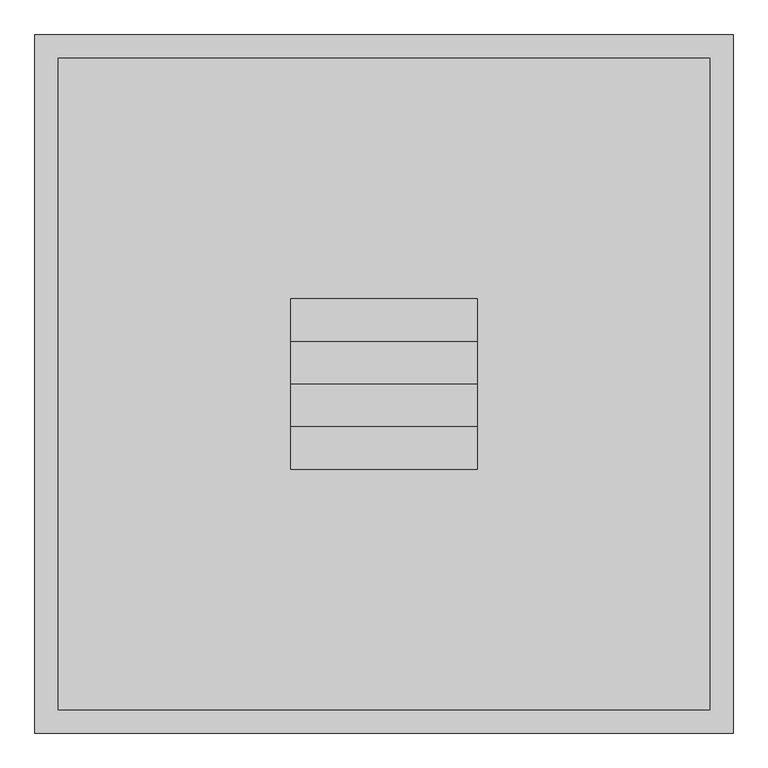
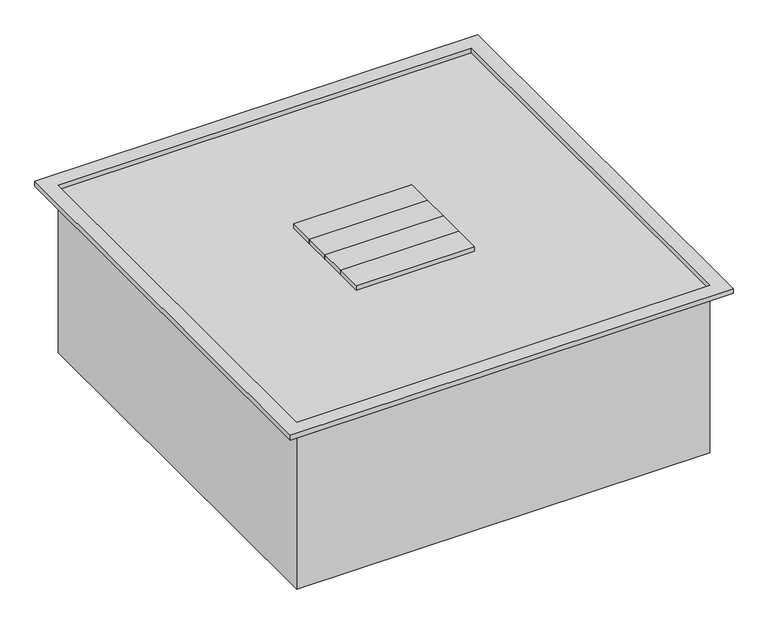
"""IFC4 building model written with IfcOpenShell, lengths in millimetres: proxy geometry."""

import ifcopenshell
import ifcopenshell.guid

model = None  # the IFC model being written
_history = None  # IfcOwnerHistory: only IFC2X3 demands one
_inside = {}  # id of a spatial element -> (the spatial element, [elements in it])
_under = {}  # id of a project, library or spatial element -> (it, [spatial elements below it])
_declared = {}  # id of a project -> (the project, [libraries it declares])
_typed = {}  # id of a type object -> (the type object, [elements of that type])
_made_of = {}  # id of a material, layer set ... -> (it, [elements and type objects made of it])


def new_model(schema):
    """Start an empty IFC model of exactly this schema.

    Asked for "IFC4X3", IfcOpenShell would pick the latest addendum, in which some entities
    have other attributes; the version numbers below select the first issue.
    IFC2X3 requires an IfcOwnerHistory on every rooted entity: one is made here for all.
    """
    global model, _history
    if schema == "IFC4X3":
        model = ifcopenshell.file(schema_version=(4, 3, 0, 0))
    else:
        model = ifcopenshell.file(schema=schema)
    _inside.clear()
    _under.clear()
    _declared.clear()
    _typed.clear()
    _made_of.clear()
    _history = None
    if model.schema == "IFC2X3":
        org = make("IfcOrganization", Name="unknown")
        user = make(
            "IfcPersonAndOrganization",
            ThePerson=make("IfcPerson", FamilyName="unknown"),
            TheOrganization=org,
        )
        app = make(
            "IfcApplication",
            ApplicationDeveloper=org,
            Version="unknown",
            ApplicationFullName="unknown",
            ApplicationIdentifier="unknown",
        )
        _history = make(
            "IfcOwnerHistory",
            OwningUser=user,
            OwningApplication=app,
            ChangeAction="ADDED",
            CreationDate=0,
        )
    return model


def make(cls, **values):
    """One entity of the class cls with the attributes given. An attribute that is None is left unset."""
    return model.create_entity(
        cls, **{name: value for name, value in values.items() if value is not None}
    )


def rooted(cls, **values):
    """An entity with a GlobalId (a new one), such as an element, a storey or a relation."""
    return make(cls, GlobalId=ifcopenshell.guid.new(), OwnerHistory=_history, **values)


def si_unit(unit_type, name, prefix=None):
    """IfcSIUnit, for example si_unit("LENGTHUNIT", "METRE", prefix="MILLI")."""
    return make("IfcSIUnit", UnitType=unit_type, Prefix=prefix, Name=name)


def assignment(units):
    """IfcUnitAssignment: the units of a project."""
    return None if units is None else make("IfcUnitAssignment", Units=units)


def point(xyz):
    """IfcCartesianPoint."""
    return None if xyz is None else make("IfcCartesianPoint", Coordinates=xyz)


def direction(xyz):
    """IfcDirection."""
    return None if xyz is None else make("IfcDirection", DirectionRatios=xyz)


def frame(location, z_axis=None, x_axis=None):
    """IfcAxis2Placement3D, a coordinate frame: its origin and axes. An axis left out is left unset."""
    return make(
        "IfcAxis2Placement3D",
        Location=point(location),
        Axis=direction(z_axis),
        RefDirection=direction(x_axis),
    )


def origin():
    """The frame at (0, 0, 0) with its axes left unset."""
    return frame((0.0, 0.0, 0.0))


def origin_with_axes():
    """The frame at (0, 0, 0) with the z axis (0, 0, 1) and the x axis (1, 0, 0) written out."""
    return frame((0.0, 0.0, 0.0), z_axis=(0.0, 0.0, 1.0), x_axis=(1.0, 0.0, 0.0))


def place(relative_to, where):
    """IfcLocalPlacement: puts the frame where relative to a parent placement (None: the world)."""
    return make(
        "IfcLocalPlacement", PlacementRelTo=relative_to, RelativePlacement=where
    )


def context(
    kind, dimensions, precision=None, world=None, true_north=None, identifier=None
):
    """IfcGeometricRepresentationContext, for example the 3D "Model" context."""
    return make(
        "IfcGeometricRepresentationContext",
        ContextIdentifier=identifier,
        ContextType=kind,
        CoordinateSpaceDimension=dimensions,
        Precision=precision,
        WorldCoordinateSystem=world,
        TrueNorth=true_north,
    )


def project(units=None, contexts=None):
    """IfcProject with its units and contexts."""
    return rooted(
        "IfcProject",
        Name="project",
        RepresentationContexts=contexts,
        UnitsInContext=assignment(units),
    )


def spatial(cls, under=None, at=None, **own):
    """A site, building, storey or space (cls), placed at a placement, below another one or the project."""
    s = rooted(cls, ObjectPlacement=at, **own)
    if under is not None:
        _under.setdefault(under.id(), (under, []))[1].append(s)
    return s


def polyline(points):
    """IfcPolyline through the points."""
    return make("IfcPolyline", Points=[point(p) for p in points])


def outline(outer, holes=None, kind="AREA"):
    """IfcArbitraryClosedProfileDef: a profile drawn as a closed curve; with holes, ...WithVoids."""
    if holes is None:
        return make("IfcArbitraryClosedProfileDef", ProfileType=kind, OuterCurve=outer)
    return make(
        "IfcArbitraryProfileDefWithVoids",
        ProfileType=kind,
        OuterCurve=outer,
        InnerCurves=holes,
    )


def extrude(swept, where, along, depth):
    """IfcExtrudedAreaSolid: the profile swept, set in the frame where, extruded along a direction by depth."""
    return make(
        "IfcExtrudedAreaSolid",
        SweptArea=swept,
        Position=where,
        ExtrudedDirection=direction(along),
        Depth=depth,
    )


def shape(context_of_items, identifier, shape_type, items):
    """IfcShapeRepresentation: the items that make up one representation, for example the "Body"."""
    return make(
        "IfcShapeRepresentation",
        ContextOfItems=context_of_items,
        RepresentationIdentifier=identifier,
        RepresentationType=shape_type,
        Items=items,
    )


def source(mapping_origin, context_of_items, identifier, shape_type, items):
    """IfcRepresentationMap: a shape defined once, which mapped items show again and again."""
    return make(
        "IfcRepresentationMap",
        MappingOrigin=mapping_origin,
        MappedRepresentation=shape(context_of_items, identifier, shape_type, items),
    )


def transform(
    local_origin,
    x_axis=None,
    y_axis=None,
    z_axis=None,
    scale=None,
    scale2=None,
    scale3=None,
    uniform=True,
):
    """IfcCartesianTransformationOperator3D, or its non-uniform kind. x_axis, y_axis, z_axis: its Axis1, 2, 3."""
    if uniform:
        return make(
            "IfcCartesianTransformationOperator3D",
            Axis1=direction(x_axis),
            Axis2=direction(y_axis),
            LocalOrigin=point(local_origin),
            Scale=scale,
            Axis3=direction(z_axis),
        )
    return make(
        "IfcCartesianTransformationOperator3DnonUniform",
        Axis1=direction(x_axis),
        Axis2=direction(y_axis),
        LocalOrigin=point(local_origin),
        Scale=scale,
        Axis3=direction(z_axis),
        Scale2=scale2,
        Scale3=scale3,
    )


def mapped(mapping_source, mapping_target):
    """IfcMappedItem: shows the shape of a source again, moved by a transform."""
    return make(
        "IfcMappedItem", MappingSource=mapping_source, MappingTarget=mapping_target
    )


def made_of(thing, what):
    """Note that an element or type object is made of a material, layer set ...; save() writes the relation."""
    if what is not None:
        _made_of.setdefault(what.id(), (what, []))[1].append(thing)
    return thing


def element(
    cls,
    number,
    at=None,
    inside=None,
    cuts=None,
    type_object=None,
    material=None,
    context=None,
    identifier="Body",
    shape_type=None,
    held_by="IfcProductDefinitionShape",
    body=None,
    shapes=None,
    **own,
):
    """One element of the class cls, such as IfcWall. Its Tag is "e" and its number.

    at: its placement. inside: the storey or other place that contains it. cuts: it is an
    opening in that element (IfcRelVoidsElement). A single representation is given by context,
    identifier, shape_type and body (its items); several are given by shapes. held_by: the class
    of the entity that holds the representations. save() writes the other relations.
    """
    e = rooted(cls, Tag="e%d" % number, ObjectPlacement=at, **own)
    if body is not None:
        shapes = [shape(context, identifier, shape_type, body)]
    if shapes is not None:
        e.Representation = make(held_by, Representations=shapes)
    if inside is not None:
        _inside.setdefault(inside.id(), (inside, []))[1].append(e)
    if cuts is not None:
        rooted(
            "IfcRelVoidsElement", RelatingBuildingElement=cuts, RelatedOpeningElement=e
        )
    if type_object is not None:
        _typed.setdefault(type_object.id(), (type_object, []))[1].append(e)
    return made_of(e, material)


def aggregate(whole, parts):
    """IfcRelAggregates: a whole, such as a stair, and the parts it consists of."""
    return rooted("IfcRelAggregates", RelatingObject=whole, RelatedObjects=parts)


def save(model, path):
    """Write the relations noted so far, then the file.

    IfcRelAggregates (storeys below a building ...), IfcRelContainedInSpatialStructure (elements
    in a storey), IfcRelDefinesByType, IfcRelAssociatesMaterial and IfcRelDeclares: one each for
    every whole, place, type object, material and project.
    """
    for whole, parts in _under.values():
        aggregate(whole, parts)
    for where, things in _inside.values():
        rooted(
            "IfcRelContainedInSpatialStructure",
            RelatedElements=things,
            RelatingStructure=where,
        )
    for kind, things in _typed.values():
        rooted("IfcRelDefinesByType", RelatedObjects=things, RelatingType=kind)
    for what, things in _made_of.values():
        rooted("IfcRelAssociatesMaterial", RelatedObjects=things, RelatingMaterial=what)
    for by, libraries in _declared.values():
        rooted("IfcRelDeclares", RelatingContext=by, RelatedDefinitions=libraries)
    model.write(path)


def generic_models_a0c68aa2(model_context):
    return source(origin(), model_context, "Body", "SweptSolid", [
        extrude(outline(polyline([(-152.4, 69.85), (-152.4, 139.7), (152.4, 139.7), (152.4, 69.85), (-152.4, 69.85)])), frame((0.0, 0.0, 444.5), z_axis=(0.0, 0.0, 1.0), x_axis=(1.0, 0.0, 0.0)), (0.0, 0.0, 1.0), 12.7),
        extrude(outline(polyline([(-152.4, -69.85), (152.4, -69.85), (152.4, -139.7), (-152.4, -139.7), (-152.4, -69.85)])), frame((0.0, 0.0, 444.5), z_axis=(0.0, 0.0, 1.0), x_axis=(1.0, 0.0, 0.0)), (0.0, 0.0, 1.0), 12.7),
        extrude(outline(polyline([(-152.4, 0.0), (-152.4, 69.85), (152.4, 69.85), (152.4, 0.0), (-152.4, 0.0)])), frame((0.0, 0.0, 444.5), z_axis=(0.0, 0.0, 1.0), x_axis=(1.0, 0.0, 0.0)), (0.0, 0.0, 1.0), 12.7),
        extrude(outline(polyline([(-152.4, 0.0), (152.4, 0.0), (152.4, -69.85), (-152.4, -69.85), (-152.4, 0.0)])), frame((0.0, 0.0, 444.5), z_axis=(0.0, 0.0, 1.0), x_axis=(1.0, 0.0, 0.0)), (0.0, 0.0, 1.0), 12.7),
        extrude(outline(polyline([(571.5, 571.5), (571.5, -571.5), (-571.5, -571.5), (-571.5, 571.5), (571.5, 571.5)]), holes=[polyline([(533.4, 533.4), (-533.4, 533.4), (-533.4, -533.4), (533.4, -533.4), (533.4, 533.4)])]), frame((0.0, 0.0, 444.5), z_axis=(0.0, 0.0, 1.0), x_axis=(1.0, 0.0, 0.0)), (0.0, 0.0, 1.0), 12.7),
        extrude(outline(polyline([(533.4, 533.4), (533.4, -533.4), (-533.4, -533.4), (-533.4, 533.4), (533.4, 533.4)])), origin_with_axes(), (0.0, 0.0, 1.0), 444.5),
    ])


if __name__ == "__main__":
    model = new_model("IFC4")
    model_context = context("Model", 3, world=origin())
    ifc_project = project(units=[si_unit("LENGTHUNIT", "METRE", prefix="MILLI")], contexts=[model_context])
    site = spatial("IfcSite", under=ifc_project)
    building = spatial("IfcBuilding", under=site)
    placement = place(None, origin())
    generic_models_shape = generic_models_a0c68aa2(model_context)
    element("IfcBuildingElementProxy", 1, Name="Generic Models", at=placement, inside=building, context=model_context, shape_type="MappedRepresentation", body=[
        mapped(generic_models_shape, transform((0.0, 0.0, 0.0), x_axis=(1.0, 0.0, 0.0), y_axis=(0.0, 1.0, 0.0), z_axis=(0.0, 0.0, 1.0))),
    ])
    save(model, "model.ifc")
